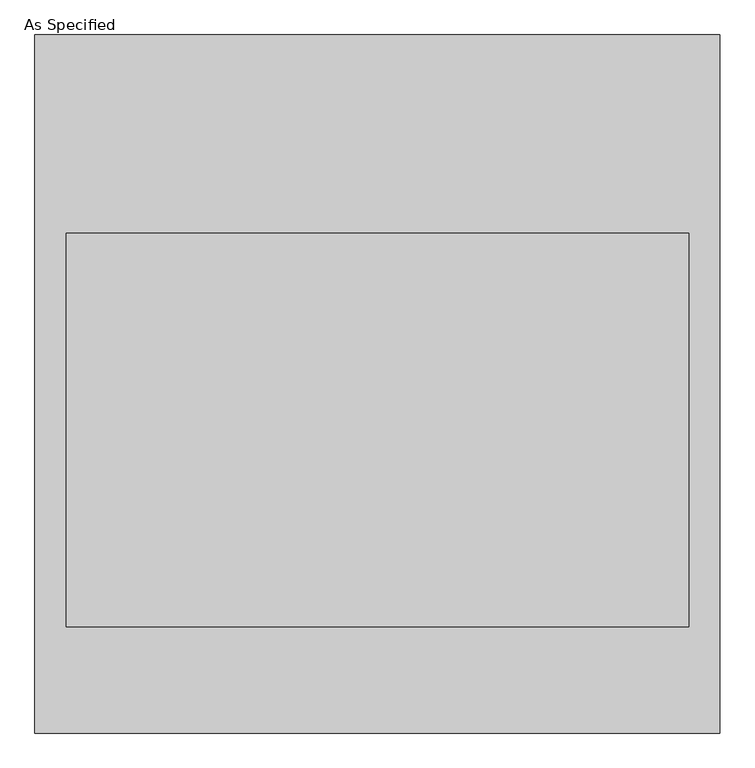
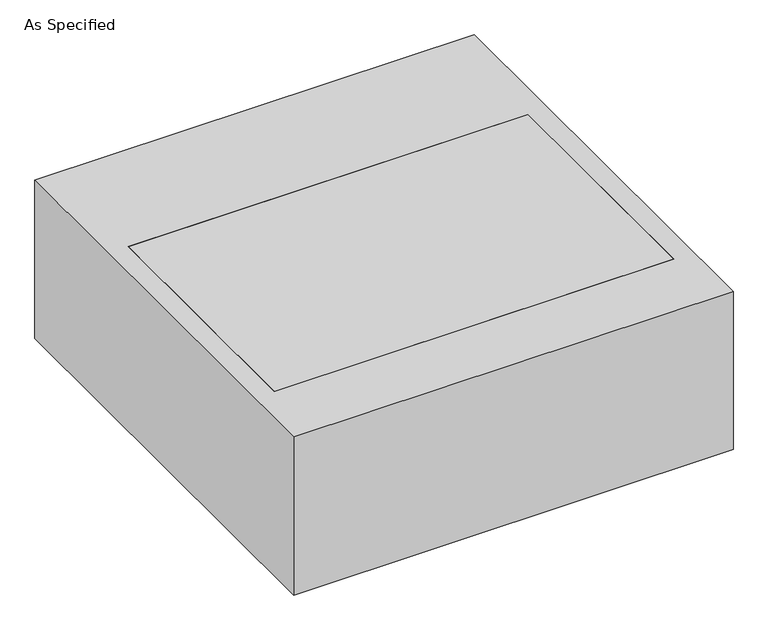
"""IFC4 building model written with IfcOpenShell, lengths in millimetres: proxy geometry, As Specified."""

from ifc_helpers import new_model, si_unit, frame, origin, place, context, project, spatial, polyline, outline, extrude, faceted_brep, source, transform, mapped, element, save


def as_specified_dd502935(model_context):
    return source(origin(), model_context, "Body", "SolidModel", [
        faceted_brep([(-663.575, 676.275, -25.4), (-663.575, 676.275, -530.225), (-663.575, -676.275, -530.225), (-663.575, -676.275, -25.4), (-603.25, 292.1, -25.4), (-603.25, -469.9, -25.4), (-603.25, -469.9, -373.0625), (-603.25, 292.1, -373.0625), (663.575, 676.275, -25.4), (663.575, -676.275, -25.4), (603.25, 292.1, -25.4), (603.25, -469.9, -25.4), (663.575, -676.275, -530.225), (663.575, 676.275, -530.225), (603.25, 292.1, -373.0625), (603.25, -469.9, -373.0625)], [[[0, 1, 2, 3]], [[4, 5, 6, 7]], [[8, 0, 3, 9], [5, 4, 10, 11]], [[8, 9, 12, 13]], [[12, 9, 3, 2]], [[13, 12, 2, 1]], [[8, 13, 1, 0]], [[4, 7, 14, 10]], [[7, 6, 15, 14]], [[6, 5, 11, 15]], [[11, 10, 14, 15]]]),
        extrude(outline(polyline([(603.25, 292.1), (603.25, -469.9), (-603.25, -469.9), (-603.25, 292.1), (603.25, 292.1)])), frame((0.0, 0.0, -373.0625), z_axis=(0.0, 0.0, 1.0), x_axis=(1.0, 0.0, 0.0)), (0.0, 0.0, 1.0), 347.6625),
    ])


if __name__ == "__main__":
    model = new_model("IFC4")
    model_context = context("Model", 3, world=origin())
    ifc_project = project(units=[si_unit("LENGTHUNIT", "METRE", prefix="MILLI")], contexts=[model_context])
    site = spatial("IfcSite", under=ifc_project)
    building = spatial("IfcBuilding", under=site)
    placement = place(None, origin())
    as_specified_shape = as_specified_dd502935(model_context)
    element("IfcBuildingElementProxy", 1, Name="As Specified", ObjectType="As Specified", at=placement, inside=building, context=model_context, shape_type="MappedRepresentation", body=[
        mapped(as_specified_shape, transform((0.0, 0.0, 0.0), x_axis=(1.0, 0.0, 0.0), y_axis=(0.0, 1.0, 0.0), z_axis=(0.0, 0.0, 1.0))),
    ])
    save(model, "model.ifc")
